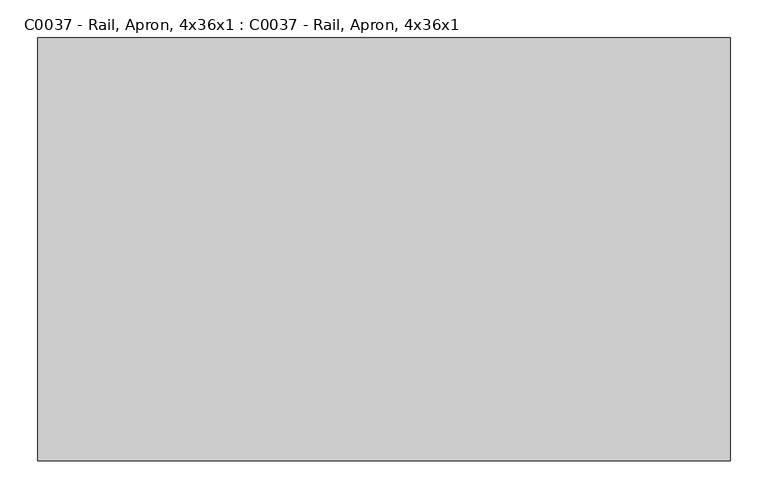
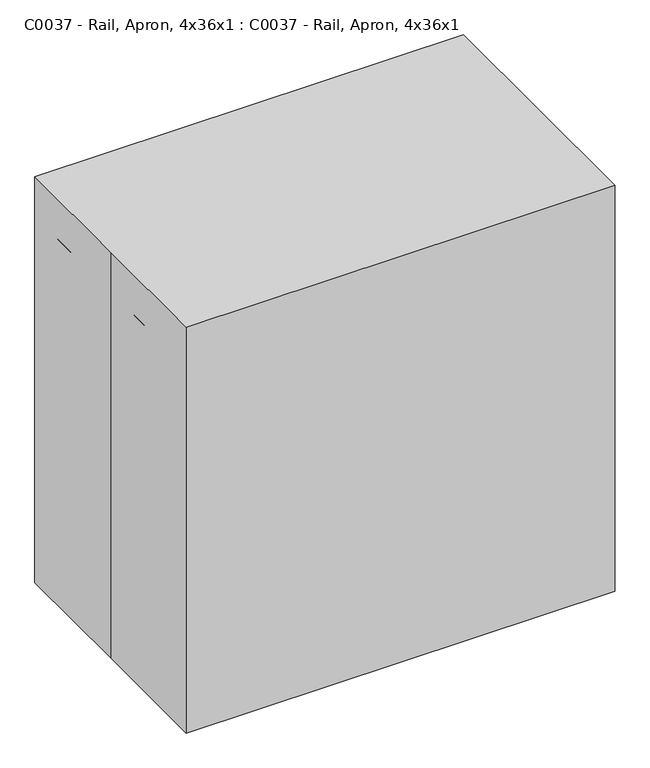
"""IFC4 building model written with IfcOpenShell, lengths in millimetres: proxy geometry, C0037 - Rail, Apron, 4x36x1 : C0037 - Rail, Apron, 4x36x1."""

import ifcopenshell
import ifcopenshell.guid

model = None  # the IFC model being written
_history = None  # IfcOwnerHistory: only IFC2X3 demands one
_inside = {}  # id of a spatial element -> (the spatial element, [elements in it])
_under = {}  # id of a project, library or spatial element -> (it, [spatial elements below it])
_declared = {}  # id of a project -> (the project, [libraries it declares])
_typed = {}  # id of a type object -> (the type object, [elements of that type])
_made_of = {}  # id of a material, layer set ... -> (it, [elements and type objects made of it])


def new_model(schema):
    """Start an empty IFC model of exactly this schema.

    Asked for "IFC4X3", IfcOpenShell would pick the latest addendum, in which some entities
    have other attributes; the version numbers below select the first issue.
    IFC2X3 requires an IfcOwnerHistory on every rooted entity: one is made here for all.
    """
    global model, _history
    if schema == "IFC4X3":
        model = ifcopenshell.file(schema_version=(4, 3, 0, 0))
    else:
        model = ifcopenshell.file(schema=schema)
    _inside.clear()
    _under.clear()
    _declared.clear()
    _typed.clear()
    _made_of.clear()
    _history = None
    if model.schema == "IFC2X3":
        org = make("IfcOrganization", Name="unknown")
        user = make(
            "IfcPersonAndOrganization",
            ThePerson=make("IfcPerson", FamilyName="unknown"),
            TheOrganization=org,
        )
        app = make(
            "IfcApplication",
            ApplicationDeveloper=org,
            Version="unknown",
            ApplicationFullName="unknown",
            ApplicationIdentifier="unknown",
        )
        _history = make(
            "IfcOwnerHistory",
            OwningUser=user,
            OwningApplication=app,
            ChangeAction="ADDED",
            CreationDate=0,
        )
    return model


def make(cls, **values):
    """One entity of the class cls with the attributes given. An attribute that is None is left unset."""
    return model.create_entity(
        cls, **{name: value for name, value in values.items() if value is not None}
    )


def rooted(cls, **values):
    """An entity with a GlobalId (a new one), such as an element, a storey or a relation."""
    return make(cls, GlobalId=ifcopenshell.guid.new(), OwnerHistory=_history, **values)


def si_unit(unit_type, name, prefix=None):
    """IfcSIUnit, for example si_unit("LENGTHUNIT", "METRE", prefix="MILLI")."""
    return make("IfcSIUnit", UnitType=unit_type, Prefix=prefix, Name=name)


def assignment(units):
    """IfcUnitAssignment: the units of a project."""
    return None if units is None else make("IfcUnitAssignment", Units=units)


def point(xyz):
    """IfcCartesianPoint."""
    return None if xyz is None else make("IfcCartesianPoint", Coordinates=xyz)


def direction(xyz):
    """IfcDirection."""
    return None if xyz is None else make("IfcDirection", DirectionRatios=xyz)


def frame(location, z_axis=None, x_axis=None):
    """IfcAxis2Placement3D, a coordinate frame: its origin and axes. An axis left out is left unset."""
    return make(
        "IfcAxis2Placement3D",
        Location=point(location),
        Axis=direction(z_axis),
        RefDirection=direction(x_axis),
    )


def origin():
    """The frame at (0, 0, 0) with its axes left unset."""
    return frame((0.0, 0.0, 0.0))


def origin_with_axes():
    """The frame at (0, 0, 0) with the z axis (0, 0, 1) and the x axis (1, 0, 0) written out."""
    return frame((0.0, 0.0, 0.0), z_axis=(0.0, 0.0, 1.0), x_axis=(1.0, 0.0, 0.0))


def place(relative_to, where):
    """IfcLocalPlacement: puts the frame where relative to a parent placement (None: the world)."""
    return make(
        "IfcLocalPlacement", PlacementRelTo=relative_to, RelativePlacement=where
    )


def context(
    kind, dimensions, precision=None, world=None, true_north=None, identifier=None
):
    """IfcGeometricRepresentationContext, for example the 3D "Model" context."""
    return make(
        "IfcGeometricRepresentationContext",
        ContextIdentifier=identifier,
        ContextType=kind,
        CoordinateSpaceDimension=dimensions,
        Precision=precision,
        WorldCoordinateSystem=world,
        TrueNorth=true_north,
    )


def project(units=None, contexts=None):
    """IfcProject with its units and contexts."""
    return rooted(
        "IfcProject",
        Name="project",
        RepresentationContexts=contexts,
        UnitsInContext=assignment(units),
    )


def spatial(cls, under=None, at=None, **own):
    """A site, building, storey or space (cls), placed at a placement, below another one or the project."""
    s = rooted(cls, ObjectPlacement=at, **own)
    if under is not None:
        _under.setdefault(under.id(), (under, []))[1].append(s)
    return s


def polyline(points):
    """IfcPolyline through the points."""
    return make("IfcPolyline", Points=[point(p) for p in points])


def outline(outer, holes=None, kind="AREA"):
    """IfcArbitraryClosedProfileDef: a profile drawn as a closed curve; with holes, ...WithVoids."""
    if holes is None:
        return make("IfcArbitraryClosedProfileDef", ProfileType=kind, OuterCurve=outer)
    return make(
        "IfcArbitraryProfileDefWithVoids",
        ProfileType=kind,
        OuterCurve=outer,
        InnerCurves=holes,
    )


def extrude(swept, where, along, depth):
    """IfcExtrudedAreaSolid: the profile swept, set in the frame where, extruded along a direction by depth."""
    return make(
        "IfcExtrudedAreaSolid",
        SweptArea=swept,
        Position=where,
        ExtrudedDirection=direction(along),
        Depth=depth,
    )


def shape(context_of_items, identifier, shape_type, items):
    """IfcShapeRepresentation: the items that make up one representation, for example the "Body"."""
    return make(
        "IfcShapeRepresentation",
        ContextOfItems=context_of_items,
        RepresentationIdentifier=identifier,
        RepresentationType=shape_type,
        Items=items,
    )


def source(mapping_origin, context_of_items, identifier, shape_type, items):
    """IfcRepresentationMap: a shape defined once, which mapped items show again and again."""
    return make(
        "IfcRepresentationMap",
        MappingOrigin=mapping_origin,
        MappedRepresentation=shape(context_of_items, identifier, shape_type, items),
    )


def transform(
    local_origin,
    x_axis=None,
    y_axis=None,
    z_axis=None,
    scale=None,
    scale2=None,
    scale3=None,
    uniform=True,
):
    """IfcCartesianTransformationOperator3D, or its non-uniform kind. x_axis, y_axis, z_axis: its Axis1, 2, 3."""
    if uniform:
        return make(
            "IfcCartesianTransformationOperator3D",
            Axis1=direction(x_axis),
            Axis2=direction(y_axis),
            LocalOrigin=point(local_origin),
            Scale=scale,
            Axis3=direction(z_axis),
        )
    return make(
        "IfcCartesianTransformationOperator3DnonUniform",
        Axis1=direction(x_axis),
        Axis2=direction(y_axis),
        LocalOrigin=point(local_origin),
        Scale=scale,
        Axis3=direction(z_axis),
        Scale2=scale2,
        Scale3=scale3,
    )


def mapped(mapping_source, mapping_target):
    """IfcMappedItem: shows the shape of a source again, moved by a transform."""
    return make(
        "IfcMappedItem", MappingSource=mapping_source, MappingTarget=mapping_target
    )


def made_of(thing, what):
    """Note that an element or type object is made of a material, layer set ...; save() writes the relation."""
    if what is not None:
        _made_of.setdefault(what.id(), (what, []))[1].append(thing)
    return thing


def element(
    cls,
    number,
    at=None,
    inside=None,
    cuts=None,
    type_object=None,
    material=None,
    context=None,
    identifier="Body",
    shape_type=None,
    held_by="IfcProductDefinitionShape",
    body=None,
    shapes=None,
    **own,
):
    """One element of the class cls, such as IfcWall. Its Tag is "e" and its number.

    at: its placement. inside: the storey or other place that contains it. cuts: it is an
    opening in that element (IfcRelVoidsElement). A single representation is given by context,
    identifier, shape_type and body (its items); several are given by shapes. held_by: the class
    of the entity that holds the representations. save() writes the other relations.
    """
    e = rooted(cls, Tag="e%d" % number, ObjectPlacement=at, **own)
    if body is not None:
        shapes = [shape(context, identifier, shape_type, body)]
    if shapes is not None:
        e.Representation = make(held_by, Representations=shapes)
    if inside is not None:
        _inside.setdefault(inside.id(), (inside, []))[1].append(e)
    if cuts is not None:
        rooted(
            "IfcRelVoidsElement", RelatingBuildingElement=cuts, RelatedOpeningElement=e
        )
    if type_object is not None:
        _typed.setdefault(type_object.id(), (type_object, []))[1].append(e)
    return made_of(e, material)


def aggregate(whole, parts):
    """IfcRelAggregates: a whole, such as a stair, and the parts it consists of."""
    return rooted("IfcRelAggregates", RelatingObject=whole, RelatedObjects=parts)


def save(model, path):
    """Write the relations noted so far, then the file.

    IfcRelAggregates (storeys below a building ...), IfcRelContainedInSpatialStructure (elements
    in a storey), IfcRelDefinesByType, IfcRelAssociatesMaterial and IfcRelDeclares: one each for
    every whole, place, type object, material and project.
    """
    for whole, parts in _under.values():
        aggregate(whole, parts)
    for where, things in _inside.values():
        rooted(
            "IfcRelContainedInSpatialStructure",
            RelatedElements=things,
            RelatingStructure=where,
        )
    for kind, things in _typed.values():
        rooted("IfcRelDefinesByType", RelatedObjects=things, RelatingType=kind)
    for what, things in _made_of.values():
        rooted("IfcRelAssociatesMaterial", RelatedObjects=things, RelatingMaterial=what)
    for by, libraries in _declared.values():
        rooted("IfcRelDeclares", RelatingContext=by, RelatedDefinitions=libraries)
    model.write(path)


def c0037_rail_apron_4x36x1_c0037_rail_apron_4x36x1_112512d8(model_context):
    return source(origin(), model_context, "Body", "SweptSolid", [
        extrude(outline(polyline([(-457.2, 279.4), (457.2, 279.4), (457.2, -279.4), (-457.2, -279.4), (-457.2, 0.0), (-457.2, 279.4)])), origin_with_axes(), (0.0, 0.0, 1.0), 914.4),
        extrude(outline(polyline([(438.15, -260.35), (438.15, 279.4), (457.2, 279.4), (457.2, -260.35), (438.15, -260.35)])), frame((0.0, 0.0, 673.0674767), z_axis=(0.0, 0.0, 1.0), x_axis=(1.0, 0.0, 0.0)), (0.0, 0.0, 1.0), 152.4),
        extrude(outline(polyline([(-457.2, -260.35), (-457.2, 279.4), (-438.15, 279.4), (-438.15, -260.35), (-457.2, -260.35)])), frame((0.0, 0.0, 673.0674767), z_axis=(0.0, 0.0, 1.0), x_axis=(1.0, 0.0, 0.0)), (0.0, 0.0, 1.0), 152.4),
        extrude(outline(polyline([(457.2, -279.4), (-457.2, -279.4), (-457.2, -260.35), (457.2, -260.35), (457.2, -279.4)])), frame((0.0, 0.0, 673.0674767), z_axis=(0.0, 0.0, 1.0), x_axis=(1.0, 0.0, 0.0)), (0.0, 0.0, 1.0), 152.4),
        extrude(outline(polyline([(438.15, 260.35), (-438.15, 260.35), (-438.15, 279.4), (438.15, 279.4), (438.15, 260.35)])), frame((0.0, 0.0, 673.0674767), z_axis=(0.0, 0.0, 1.0), x_axis=(1.0, 0.0, 0.0)), (0.0, 0.0, 1.0), 133.35),
    ])


if __name__ == "__main__":
    model = new_model("IFC4")
    model_context = context("Model", 3, world=origin())
    ifc_project = project(units=[si_unit("LENGTHUNIT", "METRE", prefix="MILLI")], contexts=[model_context])
    site = spatial("IfcSite", under=ifc_project)
    building = spatial("IfcBuilding", under=site)
    placement = place(None, origin())
    c0037_rail_apron_4x36x1_c0037_rail_apron_4x36x1_shape = c0037_rail_apron_4x36x1_c0037_rail_apron_4x36x1_112512d8(model_context)
    element("IfcBuildingElementProxy", 1, Name="C0037 - Rail, Apron, 4x36x1 : C0037 - Rail, Apron, 4x36x1", ObjectType="C0037 - Rail, Apron, 4x36x1 : C0037 - Rail, Apron, 4x36x1", at=placement, inside=building, context=model_context, shape_type="MappedRepresentation", body=[
        mapped(c0037_rail_apron_4x36x1_c0037_rail_apron_4x36x1_shape, transform((0.0, 0.0, 0.0), x_axis=(1.0, 0.0, 0.0), y_axis=(0.0, 1.0, 0.0), z_axis=(0.0, 0.0, 1.0))),
    ])
    save(model, "model.ifc")
